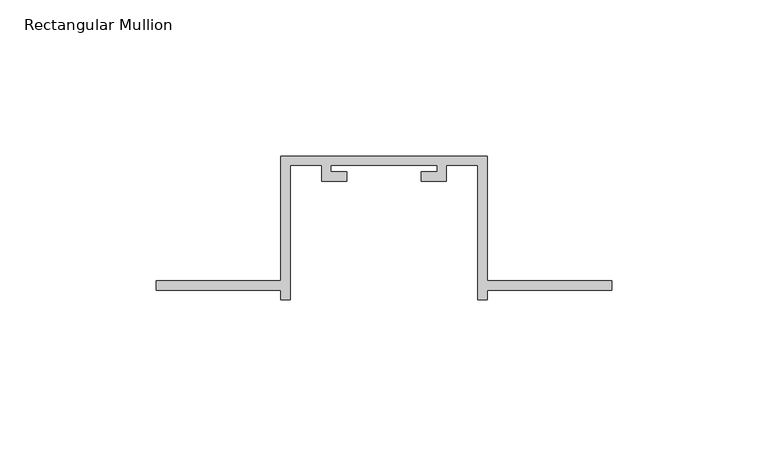
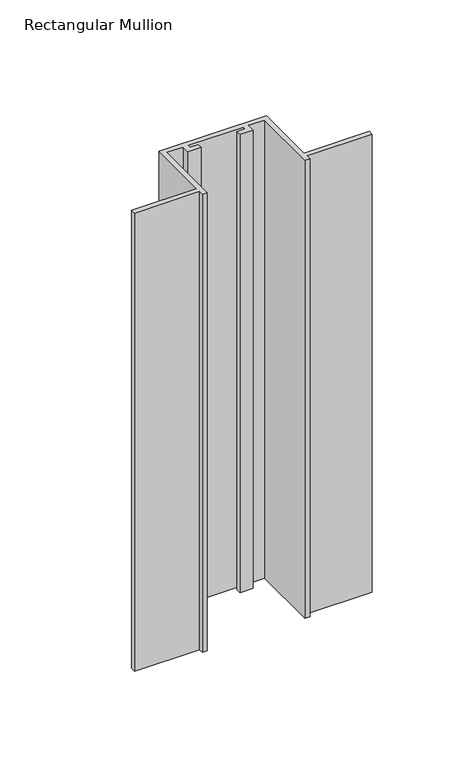
"""IFC4 building model written with IfcOpenShell, lengths in millimetres: member geometry, Rectangular Mullion."""

from ifc_helpers import new_model, si_unit, frame, origin, place, context, project, spatial, polyline, outline, extrude, source, transform, mapped, element, save


def rectangular_mullion_2edabf71(model_context):
    return source(origin(), model_context, "Body", "SweptSolid", [
        extrude(outline(polyline([(-33.0, -132.0), (-73.0, -132.0), (-73.0, -129.0), (-33.0, -129.0), (-33.0, -89.0), (33.0, -89.0), (33.0, -129.0), (73.0, -129.0), (73.0, -132.0), (33.0, -132.0), (33.0, -135.0), (30.0, -135.0), (30.0, -92.0), (20.0, -92.0), (20.0, -97.0), (12.0, -97.0), (12.0, -94.0), (17.0, -94.0), (17.0, -92.0), (-17.0, -92.0), (-17.0, -94.0), (-12.0, -94.0), (-12.0, -97.0), (-20.0, -97.0), (-20.0, -92.0), (-30.0, -92.0), (-30.0, -135.0), (-33.0, -135.0), (-33.0, -132.0)])), frame((0.0, 0.0, -297.1692572), z_axis=(0.0, 0.0, 1.0), x_axis=(1.0, 0.0, 0.0)), (0.0, 0.0, 1.0), 297.1692572),
    ])


if __name__ == "__main__":
    model = new_model("IFC4")
    model_context = context("Model", 3, world=origin())
    ifc_project = project(units=[si_unit("LENGTHUNIT", "METRE", prefix="MILLI")], contexts=[model_context])
    site = spatial("IfcSite", under=ifc_project)
    building = spatial("IfcBuilding", under=site)
    placement = place(None, origin())
    rectangular_mullion_shape = rectangular_mullion_2edabf71(model_context)
    element("IfcMember", 1, ObjectType="Rectangular Mullion", at=placement, inside=building, context=model_context, shape_type="MappedRepresentation", body=[
        mapped(rectangular_mullion_shape, transform((0.0, 0.0, 0.0), x_axis=(1.0, 0.0, 0.0), y_axis=(0.0, 1.0, 0.0), z_axis=(0.0, 0.0, 1.0))),
    ])
    save(model, "model.ifc")
